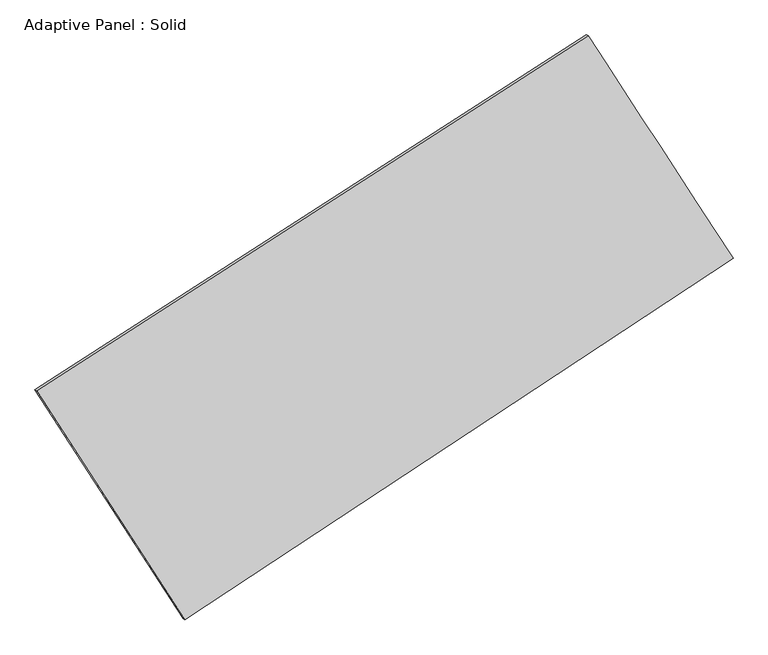
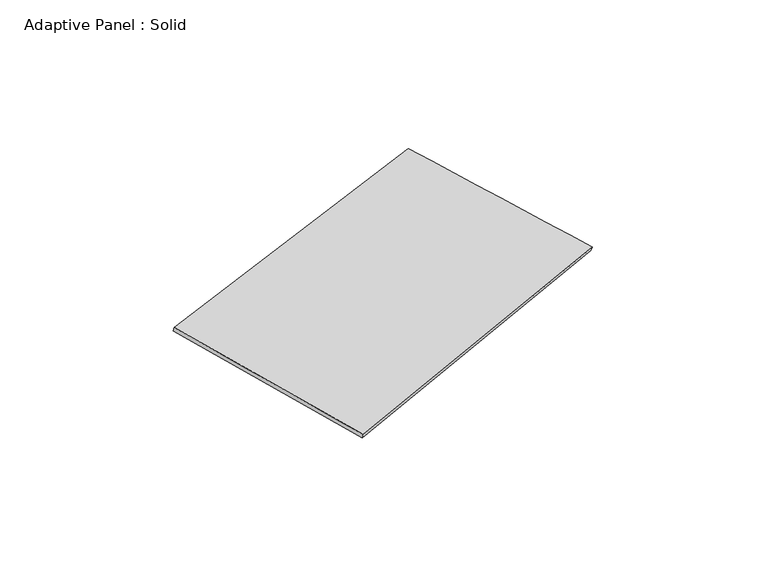
"""IFC4 building model written with IfcOpenShell, lengths in millimetres: plate geometry, Adaptive Panel : Solid."""

import ifcopenshell
import ifcopenshell.guid

model = None  # the IFC model being written
_history = None  # IfcOwnerHistory: only IFC2X3 demands one
_inside = {}  # id of a spatial element -> (the spatial element, [elements in it])
_under = {}  # id of a project, library or spatial element -> (it, [spatial elements below it])
_declared = {}  # id of a project -> (the project, [libraries it declares])
_typed = {}  # id of a type object -> (the type object, [elements of that type])
_made_of = {}  # id of a material, layer set ... -> (it, [elements and type objects made of it])


def new_model(schema):
    """Start an empty IFC model of exactly this schema.

    Asked for "IFC4X3", IfcOpenShell would pick the latest addendum, in which some entities
    have other attributes; the version numbers below select the first issue.
    IFC2X3 requires an IfcOwnerHistory on every rooted entity: one is made here for all.
    """
    global model, _history
    if schema == "IFC4X3":
        model = ifcopenshell.file(schema_version=(4, 3, 0, 0))
    else:
        model = ifcopenshell.file(schema=schema)
    _inside.clear()
    _under.clear()
    _declared.clear()
    _typed.clear()
    _made_of.clear()
    _history = None
    if model.schema == "IFC2X3":
        org = make("IfcOrganization", Name="unknown")
        user = make(
            "IfcPersonAndOrganization",
            ThePerson=make("IfcPerson", FamilyName="unknown"),
            TheOrganization=org,
        )
        app = make(
            "IfcApplication",
            ApplicationDeveloper=org,
            Version="unknown",
            ApplicationFullName="unknown",
            ApplicationIdentifier="unknown",
        )
        _history = make(
            "IfcOwnerHistory",
            OwningUser=user,
            OwningApplication=app,
            ChangeAction="ADDED",
            CreationDate=0,
        )
    return model


def make(cls, **values):
    """One entity of the class cls with the attributes given. An attribute that is None is left unset."""
    return model.create_entity(
        cls, **{name: value for name, value in values.items() if value is not None}
    )


def rooted(cls, **values):
    """An entity with a GlobalId (a new one), such as an element, a storey or a relation."""
    return make(cls, GlobalId=ifcopenshell.guid.new(), OwnerHistory=_history, **values)


def si_unit(unit_type, name, prefix=None):
    """IfcSIUnit, for example si_unit("LENGTHUNIT", "METRE", prefix="MILLI")."""
    return make("IfcSIUnit", UnitType=unit_type, Prefix=prefix, Name=name)


def assignment(units):
    """IfcUnitAssignment: the units of a project."""
    return None if units is None else make("IfcUnitAssignment", Units=units)


def point(xyz):
    """IfcCartesianPoint."""
    return None if xyz is None else make("IfcCartesianPoint", Coordinates=xyz)


def direction(xyz):
    """IfcDirection."""
    return None if xyz is None else make("IfcDirection", DirectionRatios=xyz)


def frame(location, z_axis=None, x_axis=None):
    """IfcAxis2Placement3D, a coordinate frame: its origin and axes. An axis left out is left unset."""
    return make(
        "IfcAxis2Placement3D",
        Location=point(location),
        Axis=direction(z_axis),
        RefDirection=direction(x_axis),
    )


def origin():
    """The frame at (0, 0, 0) with its axes left unset."""
    return frame((0.0, 0.0, 0.0))


def place(relative_to, where):
    """IfcLocalPlacement: puts the frame where relative to a parent placement (None: the world)."""
    return make(
        "IfcLocalPlacement", PlacementRelTo=relative_to, RelativePlacement=where
    )


def context(
    kind, dimensions, precision=None, world=None, true_north=None, identifier=None
):
    """IfcGeometricRepresentationContext, for example the 3D "Model" context."""
    return make(
        "IfcGeometricRepresentationContext",
        ContextIdentifier=identifier,
        ContextType=kind,
        CoordinateSpaceDimension=dimensions,
        Precision=precision,
        WorldCoordinateSystem=world,
        TrueNorth=true_north,
    )


def project(units=None, contexts=None):
    """IfcProject with its units and contexts."""
    return rooted(
        "IfcProject",
        Name="project",
        RepresentationContexts=contexts,
        UnitsInContext=assignment(units),
    )


def spatial(cls, under=None, at=None, **own):
    """A site, building, storey or space (cls), placed at a placement, below another one or the project."""
    s = rooted(cls, ObjectPlacement=at, **own)
    if under is not None:
        _under.setdefault(under.id(), (under, []))[1].append(s)
    return s


def shape(context_of_items, identifier, shape_type, items):
    """IfcShapeRepresentation: the items that make up one representation, for example the "Body"."""
    return make(
        "IfcShapeRepresentation",
        ContextOfItems=context_of_items,
        RepresentationIdentifier=identifier,
        RepresentationType=shape_type,
        Items=items,
    )


def source(mapping_origin, context_of_items, identifier, shape_type, items):
    """IfcRepresentationMap: a shape defined once, which mapped items show again and again."""
    return make(
        "IfcRepresentationMap",
        MappingOrigin=mapping_origin,
        MappedRepresentation=shape(context_of_items, identifier, shape_type, items),
    )


def transform(
    local_origin,
    x_axis=None,
    y_axis=None,
    z_axis=None,
    scale=None,
    scale2=None,
    scale3=None,
    uniform=True,
):
    """IfcCartesianTransformationOperator3D, or its non-uniform kind. x_axis, y_axis, z_axis: its Axis1, 2, 3."""
    if uniform:
        return make(
            "IfcCartesianTransformationOperator3D",
            Axis1=direction(x_axis),
            Axis2=direction(y_axis),
            LocalOrigin=point(local_origin),
            Scale=scale,
            Axis3=direction(z_axis),
        )
    return make(
        "IfcCartesianTransformationOperator3DnonUniform",
        Axis1=direction(x_axis),
        Axis2=direction(y_axis),
        LocalOrigin=point(local_origin),
        Scale=scale,
        Axis3=direction(z_axis),
        Scale2=scale2,
        Scale3=scale3,
    )


def mapped(mapping_source, mapping_target):
    """IfcMappedItem: shows the shape of a source again, moved by a transform."""
    return make(
        "IfcMappedItem", MappingSource=mapping_source, MappingTarget=mapping_target
    )


def made_of(thing, what):
    """Note that an element or type object is made of a material, layer set ...; save() writes the relation."""
    if what is not None:
        _made_of.setdefault(what.id(), (what, []))[1].append(thing)
    return thing


def element(
    cls,
    number,
    at=None,
    inside=None,
    cuts=None,
    type_object=None,
    material=None,
    context=None,
    identifier="Body",
    shape_type=None,
    held_by="IfcProductDefinitionShape",
    body=None,
    shapes=None,
    **own,
):
    """One element of the class cls, such as IfcWall. Its Tag is "e" and its number.

    at: its placement. inside: the storey or other place that contains it. cuts: it is an
    opening in that element (IfcRelVoidsElement). A single representation is given by context,
    identifier, shape_type and body (its items); several are given by shapes. held_by: the class
    of the entity that holds the representations. save() writes the other relations.
    """
    e = rooted(cls, Tag="e%d" % number, ObjectPlacement=at, **own)
    if body is not None:
        shapes = [shape(context, identifier, shape_type, body)]
    if shapes is not None:
        e.Representation = make(held_by, Representations=shapes)
    if inside is not None:
        _inside.setdefault(inside.id(), (inside, []))[1].append(e)
    if cuts is not None:
        rooted(
            "IfcRelVoidsElement", RelatingBuildingElement=cuts, RelatedOpeningElement=e
        )
    if type_object is not None:
        _typed.setdefault(type_object.id(), (type_object, []))[1].append(e)
    return made_of(e, material)


def aggregate(whole, parts):
    """IfcRelAggregates: a whole, such as a stair, and the parts it consists of."""
    return rooted("IfcRelAggregates", RelatingObject=whole, RelatedObjects=parts)


def save(model, path):
    """Write the relations noted so far, then the file.

    IfcRelAggregates (storeys below a building ...), IfcRelContainedInSpatialStructure (elements
    in a storey), IfcRelDefinesByType, IfcRelAssociatesMaterial and IfcRelDeclares: one each for
    every whole, place, type object, material and project.
    """
    for whole, parts in _under.values():
        aggregate(whole, parts)
    for where, things in _inside.values():
        rooted(
            "IfcRelContainedInSpatialStructure",
            RelatedElements=things,
            RelatingStructure=where,
        )
    for kind, things in _typed.values():
        rooted("IfcRelDefinesByType", RelatedObjects=things, RelatingType=kind)
    for what, things in _made_of.values():
        rooted("IfcRelAssociatesMaterial", RelatedObjects=things, RelatingMaterial=what)
    for by, libraries in _declared.values():
        rooted("IfcRelDeclares", RelatingContext=by, RelatedDefinitions=libraries)
    model.write(path)


def plane_surface(at):
    """IfcPlane: the flat surface through the origin of the frame at, square to its z axis."""
    return make("IfcPlane", Position=at)


def spline_surface(u_degree, v_degree, points, u_multiplicities, v_multiplicities, u_knots, v_knots, weights=None):
    """IfcBSplineSurfaceWithKnots; with weights, IfcRationalBSplineSurfaceWithKnots. points: one row for each step in u."""
    own = dict(
        UDegree=u_degree,
        VDegree=v_degree,
        ControlPointsList=[[point(p) for p in row] for row in points],
        SurfaceForm="UNSPECIFIED",
        UClosed=False,
        VClosed=False,
        SelfIntersect=False,
        UMultiplicities=u_multiplicities,
        VMultiplicities=v_multiplicities,
        UKnots=u_knots,
        VKnots=v_knots,
        KnotSpec="UNSPECIFIED",
    )
    if weights is None:
        return make("IfcBSplineSurfaceWithKnots", **own)
    return make("IfcRationalBSplineSurfaceWithKnots", WeightsData=weights, **own)


def advanced_brep(points, edges, surfaces, faces):
    """IfcAdvancedBrep: a solid bounded by faces that lie on surfaces and meet in shared edges.

    An edge is (start, end): straight between two places in points (the first is 0);
    or (start, end, curve); or (start, end, curve, False) where it runs against its curve.
    A face is (place in surfaces, loops), or (place, loops, False) where it looks against
    its surface's normal. A loop lists edges by number (the first is 1), with a minus sign
    where the edge is run from its end to its start. The first loop is the outer one.
    """
    corners = [point(p) for p in points]
    vertices = [make("IfcVertexPoint", VertexGeometry=c) for c in corners]
    made = []
    for start, end, *more in edges:
        made.append(
            make(
                "IfcEdgeCurve",
                EdgeStart=vertices[start],
                EdgeEnd=vertices[end],
                EdgeGeometry=more[0] if more else make("IfcPolyline", Points=[corners[start], corners[end]]),
                SameSense=more[1] if len(more) > 1 else True,
            )
        )
    hull = []
    for where, loops, *sense in faces:
        bounds = []
        for j, loop in enumerate(loops):
            ring = [make("IfcOrientedEdge", EdgeElement=made[abs(k) - 1], Orientation=k > 0) for k in loop]
            bounds.append(
                make(
                    "IfcFaceOuterBound" if j == 0 else "IfcFaceBound",
                    Bound=make("IfcEdgeLoop", EdgeList=ring),
                    Orientation=True,
                )
            )
        hull.append(make("IfcAdvancedFace", Bounds=bounds, FaceSurface=surfaces[where], SameSense=sense[0] if sense else True))
    return make("IfcAdvancedBrep", Outer=make("IfcClosedShell", CfsFaces=hull))


def adaptive_panel_solid_4e9bc377(model_context):
    return source(origin(), model_context, "Body", "AdvancedBrep", [
        advanced_brep(
        [(1137.5867169, 2464.0776902, 644.4156338), (-3733.3192794, -669.9620758, 1766.7301926), (-3718.6529236, -676.3421693, 1814.1031006), (1152.2530727, 2457.6975968, 691.7885418), (-2425.2391631, -2693.7437123, 1053.4248214), (-2410.5728072, -2700.1238058, 1100.7977294), (2417.6811475, 499.379525, 20.5518724), (2432.3475033, 492.9994316, 67.9247804)],
        [
            (0, 1),
            (1, 2),
            (2, 3),
            (3, 0),
            (1, 4),
            (4, 5),
            (5, 2),
            (4, 6),
            (6, 7),
            (7, 5),
            (6, 0),
            (3, 7),
        ],
        [
            plane_surface(frame((-1297.8662813, 897.0578072, 1205.5729132), z_axis=(-0.47903577324373625, 0.8380416102127871, 0.2611723329618489), x_axis=(-0.8256066924318168, -0.5312121004022468, 0.19022958181636396))),
            plane_surface(frame((-3079.2792213, -1681.8528941, 1410.077507), z_axis=(-0.7992783138016513, -0.5764698477682132, 0.16981369703437416), x_axis=(0.5205087790255182, -0.8052993814825643, -0.2838371313643858))),
            plane_surface(frame((-3.7790078, -1097.1820936, 536.9883469), z_axis=(0.49109961739400215, -0.8301836592641263, -0.26384892966675094), x_axis=(0.821935723498691, 0.5419337692975819, -0.17529819203745028))),
            plane_surface(frame((1777.6339322, 1481.7286076, 332.4837531), z_axis=(0.8000334588690887, 0.5753059919738472, -0.17020423111353553), x_axis=(-0.5275483738822871, 0.8096850493268699, 0.257104714291082))),
            spline_surface(1, 1, [[(-3718.6529236, -676.3421693, 1814.1031006), (1152.2530727, 2457.6975968, 691.7885418)], [(-2410.5728072, -2700.1238058, 1100.7977294), (2432.3475033, 492.9994316, 67.9247804)]], [2, 2], [2, 2], [0.0, 1.0], [0.0, 1.0]),
            spline_surface(1, 1, [[(2417.6811475, 499.379525, 20.5518724), (1137.5867169, 2464.0776902, 644.4156338)], [(-2425.2391631, -2693.7437123, 1053.4248214), (-3733.3192794, -669.9620758, 1766.7301926)]], [2, 2], [2, 2], [0.0, 1.0], [0.0, 1.0]),
        ],
        [
            (0, [[1, 2, 3, 4]]),
            (1, [[5, 6, 7, -2]]),
            (2, [[8, 9, 10, -6]]),
            (3, [[11, -4, 12, -9]]),
            (4, [[-3, -7, -10, -12]]),
            (5, [[-11, -8, -5, -1]]),
        ],
    ),
    ])


if __name__ == "__main__":
    model = new_model("IFC4")
    model_context = context("Model", 3, world=origin())
    ifc_project = project(units=[si_unit("LENGTHUNIT", "METRE", prefix="MILLI")], contexts=[model_context])
    site = spatial("IfcSite", under=ifc_project)
    building = spatial("IfcBuilding", under=site)
    placement = place(None, origin())
    adaptive_panel_solid_shape = adaptive_panel_solid_4e9bc377(model_context)
    element("IfcPlate", 1, ObjectType="Adaptive Panel : Solid", at=placement, inside=building, context=model_context, shape_type="MappedRepresentation", body=[
        mapped(adaptive_panel_solid_shape, transform((0.0, 0.0, 0.0), x_axis=(1.0, 0.0, 0.0), y_axis=(0.0, 1.0, 0.0), z_axis=(0.0, 0.0, 1.0))),
    ])
    save(model, "model.ifc")
